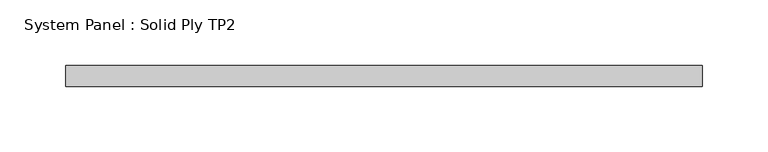
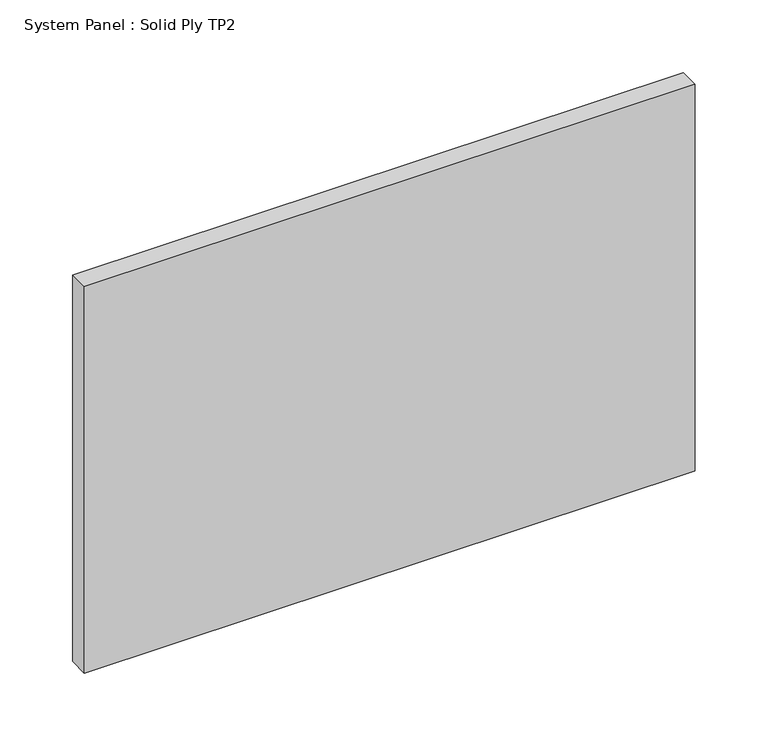
"""IFC4 building model written with IfcOpenShell, lengths in millimetres: plate geometry, System Panel : Solid Ply TP2."""

from ifc_helpers import new_model, si_unit, origin, origin_with_axes, place, context, project, spatial, polyline, outline, extrude, source, transform, mapped, element, save


def system_panel_solid_ply_tp2_5f81a33e(model_context):
    return source(origin(), model_context, "Body", "SweptSolid", [
        extrude(outline(polyline([(242.7210738, -23.0), (-242.7210738, -23.0), (-242.7210738, -7.0), (242.7210738, -7.0), (242.7210738, -23.0)])), origin_with_axes(), (0.0, 0.0, 1.0), 325.0),
    ])


if __name__ == "__main__":
    model = new_model("IFC4")
    model_context = context("Model", 3, world=origin())
    ifc_project = project(units=[si_unit("LENGTHUNIT", "METRE", prefix="MILLI")], contexts=[model_context])
    site = spatial("IfcSite", under=ifc_project)
    building = spatial("IfcBuilding", under=site)
    placement = place(None, origin())
    system_panel_solid_ply_tp2_shape = system_panel_solid_ply_tp2_5f81a33e(model_context)
    element("IfcPlate", 1, ObjectType="System Panel : Solid Ply TP2", at=placement, inside=building, context=model_context, shape_type="MappedRepresentation", body=[
        mapped(system_panel_solid_ply_tp2_shape, transform((0.0, 0.0, 0.0), x_axis=(1.0, 0.0, 0.0), y_axis=(0.0, 1.0, 0.0), z_axis=(0.0, 0.0, 1.0))),
    ])
    save(model, "model.ifc")
